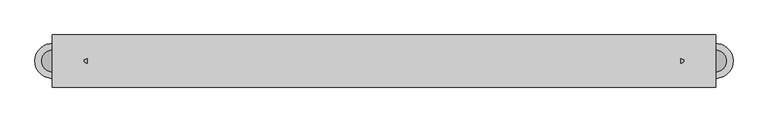
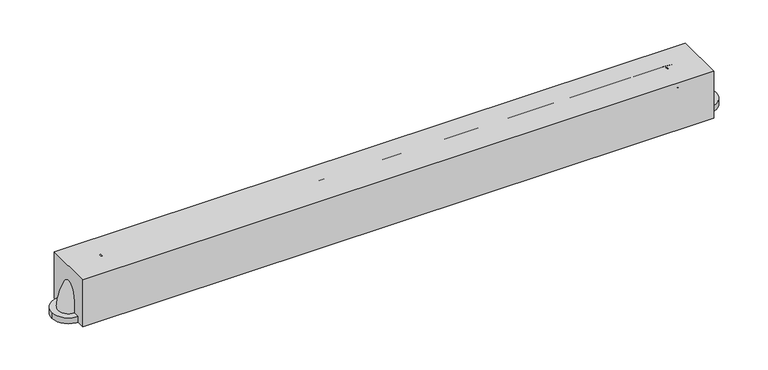
"""IFC4 building model written with IfcOpenShell, lengths in millimetres: proxy geometry."""

from ifc_helpers import new_model, si_unit, point, frame, frame_2d, origin, origin_with_axes, place, context, project, spatial, polyline, circle_curve, ellipse_curve, trimmed, segment, composite_curve, outline, extrude, source, transform, mapped, element, save
from ifc_brep_helpers import plane_surface, revolved_surface, advanced_brep


def specialty_equipment_36d724b9(model_context):
    return source(origin(), model_context, "Body", "SolidModel", [
        advanced_brep(
        [(434.2435861, -15.875, 60.325), (434.2435861, 15.875, 60.325), (485.0435861, -15.875, 9.525), (485.0435861, 15.875, 9.525)],
        [
            (0, 1, circle_curve(frame((434.2435861, 0.0, 60.325), z_axis=(-1.0, 0.0, 0.0), x_axis=(0.0, 1.0, 0.0)), 15.875)),
            (1, 0, circle_curve(frame((434.2435861, 0.0, 60.325), z_axis=(-1.0, 0.0, 0.0), x_axis=(0.0, 1.0, 0.0)), 15.875)),
            (2, 3, circle_curve(frame((485.0435861, 0.0, 9.525), z_axis=(0.0, 0.0, -1.0), x_axis=(0.0, 1.0, 0.0)), 15.875)),
            (3, 2, circle_curve(frame((485.0435861, 0.0, 9.525), z_axis=(0.0, 0.0, -1.0), x_axis=(0.0, 1.0, 0.0)), 15.875)),
            (3, 1, circle_curve(frame((434.2435861, 15.875, 9.525), z_axis=(0.0, -1.0, 0.0), x_axis=(0.0, 0.0, 1.0)), 50.8)),
            (0, 2, circle_curve(frame((434.2435861, -15.875, 9.525), z_axis=(0.0, 1.0, 0.0), x_axis=(0.0, 0.0, 1.0)), 50.8)),
        ],
        [
            plane_surface(frame((434.2435861, 0.0, 60.325), z_axis=(-1.0, 0.0, 0.0), x_axis=(0.0, 1.0, 0.0))),
            plane_surface(frame((485.0435861, 0.0, 9.525), z_axis=(0.0, 0.0, -1.0), x_axis=(0.0, 1.0, 0.0))),
            revolved_surface(trimmed(ellipse_curve(frame((434.2435861, 0.0, 60.325), z_axis=(-1.0, 0.0, 0.0), x_axis=(0.0, 1.0, 0.0)), 15.875, 15.875), [point((434.2435861, -15.875, 60.325))], [point((434.2435861, 15.875, 60.325))], True, "CARTESIAN"), (434.2435861, 0.0, 9.525), (0.0, 1.0, 0.0)),
            revolved_surface(trimmed(ellipse_curve(frame((434.2435861, 0.0, 60.325), z_axis=(-1.0, 0.0, 0.0), x_axis=(0.0, 1.0, 0.0)), 15.875, 15.875), [point((434.2435861, 15.875, 60.325))], [point((434.2435861, -15.875, 60.325))], True, "CARTESIAN"), (434.2435861, 0.0, 9.525), (0.0, 1.0, 0.0)),
        ],
        [
            (0, [[1, 2]]),
            (1, [[3, 4]]),
            (2, [[5, -1, 6, -4]]),
            (3, [[-6, -2, -5, -3]]),
        ],
    ),
        extrude(outline(composite_curve([segment(trimmed(circle_curve(frame_2d((485.0435861, 0.0)), 25.4), [point((510.4435861, 0.0))], [point((459.6435861, 0.0))], False, "CARTESIAN"), True, "CONTINUOUS"), segment(trimmed(circle_curve(frame_2d((485.0435861, 0.0)), 25.4), [point((459.6435861, 0.0))], [point((510.4435861, 0.0))], False, "CARTESIAN"), True, "CONTINUOUS")], self_intersect=False)), origin_with_axes(), (0.0, 0.0, 1.0), 9.525),
        advanced_brep(
        [(-434.2435861, -15.875, 60.325), (-434.2435861, 15.875, 60.325), (-485.0435861, -15.875, 9.525), (-485.0435861, 15.875, 9.525)],
        [
            (0, 1, circle_curve(frame((-434.2435861, 0.0, 60.325), z_axis=(1.0, 0.0, 0.0), x_axis=(0.0, 1.0, 0.0)), 15.875)),
            (1, 0, circle_curve(frame((-434.2435861, 0.0, 60.325), z_axis=(1.0, 0.0, 0.0), x_axis=(0.0, 1.0, 0.0)), 15.875)),
            (2, 3, circle_curve(frame((-485.0435861, 0.0, 9.525), z_axis=(0.0, 0.0, -1.0), x_axis=(0.0, 1.0, 0.0)), 15.875)),
            (3, 2, circle_curve(frame((-485.0435861, 0.0, 9.525), z_axis=(0.0, 0.0, -1.0), x_axis=(0.0, 1.0, 0.0)), 15.875)),
            (2, 0, circle_curve(frame((-434.2435861, -15.875, 9.525), z_axis=(0.0, 1.0, 0.0), x_axis=(0.0, 0.0, 1.0)), 50.8)),
            (1, 3, circle_curve(frame((-434.2435861, 15.875, 9.525), z_axis=(0.0, -1.0, 0.0), x_axis=(0.0, 0.0, 1.0)), 50.8)),
        ],
        [
            plane_surface(frame((-434.2435861, 0.0, 60.325), z_axis=(1.0, 0.0, 0.0), x_axis=(0.0, 1.0, 0.0))),
            plane_surface(frame((-485.0435861, 0.0, 9.525), z_axis=(0.0, 0.0, -1.0), x_axis=(0.0, 1.0, 0.0))),
            revolved_surface(trimmed(ellipse_curve(frame((-434.2435861, 0.0, 60.325), z_axis=(-1.0, 0.0, 0.0), x_axis=(0.0, 1.0, 0.0)), 15.875, 15.875), [point((-434.2435861, -15.875, 60.325))], [point((-434.2435861, 15.875, 60.325))], True, "CARTESIAN"), (-434.2435861, 0.0, 9.525), (0.0, 1.0, 0.0)),
            revolved_surface(trimmed(ellipse_curve(frame((-434.2435861, 0.0, 60.325), z_axis=(-1.0, 0.0, 0.0), x_axis=(0.0, 1.0, 0.0)), 15.875, 15.875), [point((-434.2435861, 15.875, 60.325))], [point((-434.2435861, -15.875, 60.325))], True, "CARTESIAN"), (-434.2435861, 0.0, 9.525), (0.0, 1.0, 0.0)),
        ],
        [
            (0, [[1, 2]]),
            (1, [[3, 4]]),
            (2, [[-3, 5, -2, 6]]),
            (3, [[-4, -6, -1, -5]]),
        ],
    ),
        extrude(outline(composite_curve([segment(trimmed(circle_curve(frame_2d((-485.0435861, 0.0)), 25.4), [point((-510.4435861, 0.0))], [point((-459.6435861, 0.0))], False, "CARTESIAN"), True, "CONTINUOUS"), segment(trimmed(circle_curve(frame_2d((-485.0435861, 0.0)), 25.4), [point((-459.6435861, 0.0))], [point((-510.4435861, 0.0))], False, "CARTESIAN"), True, "CONTINUOUS")], self_intersect=False)), origin_with_axes(), (0.0, 0.0, 1.0), 9.525),
        extrude(outline(polyline([(485.0435861, 38.1), (485.0435861, -38.1), (-485.0435861, -38.1), (-485.0435861, 38.1), (485.0435861, 38.1)])), origin_with_axes(), (0.0, 0.0, 1.0), 76.2),
        extrude(outline(composite_curve([segment(trimmed(circle_curve(frame_2d((0.0, 60.325)), 15.875), [point((15.875, 60.325))], [point((-15.875, 60.325))], False, "CARTESIAN"), True, "CONTINUOUS"), segment(trimmed(circle_curve(frame_2d((0.0, 60.325)), 15.875), [point((-15.875, 60.325))], [point((15.875, 60.325))], False, "CARTESIAN"), True, "CONTINUOUS")], self_intersect=False)), frame((-434.2435861, 0.0, 0.0), z_axis=(1.0, 0.0, 0.0), x_axis=(0.0, 1.0, 0.0)), (0.0, 0.0, 1.0), 868.4871723),
    ])


if __name__ == "__main__":
    model = new_model("IFC4")
    model_context = context("Model", 3, world=origin())
    ifc_project = project(units=[si_unit("LENGTHUNIT", "METRE", prefix="MILLI")], contexts=[model_context])
    site = spatial("IfcSite", under=ifc_project)
    building = spatial("IfcBuilding", under=site)
    placement = place(None, origin())
    specialty_equipment_shape = specialty_equipment_36d724b9(model_context)
    element("IfcBuildingElementProxy", 1, Name="Specialty Equipment", at=placement, inside=building, context=model_context, shape_type="MappedRepresentation", body=[
        mapped(specialty_equipment_shape, transform((0.0, 0.0, 0.0), x_axis=(1.0, 0.0, 0.0), y_axis=(0.0, 1.0, 0.0), z_axis=(0.0, 0.0, 1.0))),
    ])
    save(model, "model.ifc")
